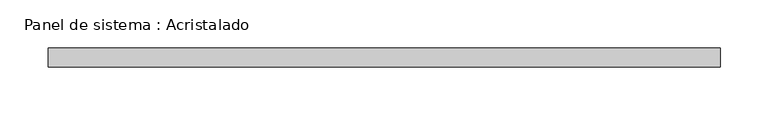
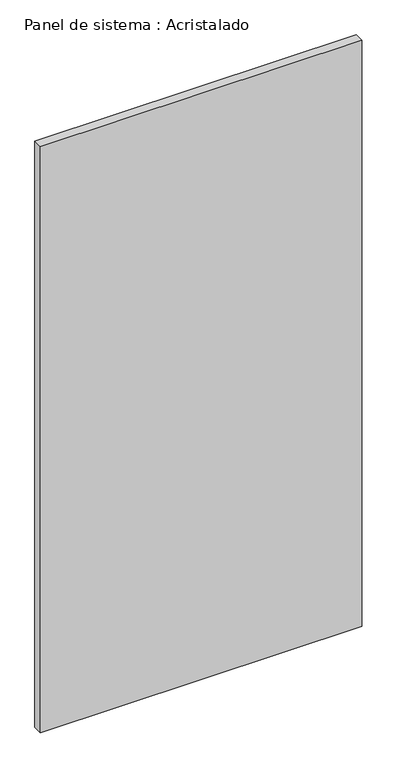
"""IFC4 building model written with IfcOpenShell, lengths in millimetres: plate geometry, Panel de sistema : Acristalado."""

from ifc_helpers import new_model, si_unit, origin, origin_with_axes, place, context, project, spatial, polyline, outline, extrude, source, transform, mapped, element, save


def panel_de_sistema_acristalado_d4a69ee0(model_context):
    return source(origin(), model_context, "Body", "SweptSolid", [
        extrude(outline(polyline([(350.0, -10.0), (-350.0, -10.0), (-350.0, 10.0), (350.0, 10.0), (350.0, -10.0)])), origin_with_axes(), (0.0, 0.0, 1.0), 1350.0),
    ])


if __name__ == "__main__":
    model = new_model("IFC4")
    model_context = context("Model", 3, world=origin())
    ifc_project = project(units=[si_unit("LENGTHUNIT", "METRE", prefix="MILLI")], contexts=[model_context])
    site = spatial("IfcSite", under=ifc_project)
    building = spatial("IfcBuilding", under=site)
    placement = place(None, origin())
    panel_de_sistema_acristalado_shape = panel_de_sistema_acristalado_d4a69ee0(model_context)
    element("IfcPlate", 1, ObjectType="Panel de sistema : Acristalado", at=placement, inside=building, context=model_context, shape_type="MappedRepresentation", body=[
        mapped(panel_de_sistema_acristalado_shape, transform((0.0, 0.0, 0.0), x_axis=(1.0, 0.0, 0.0), y_axis=(0.0, 1.0, 0.0), z_axis=(0.0, 0.0, 1.0))),
    ])
    save(model, "model.ifc")
